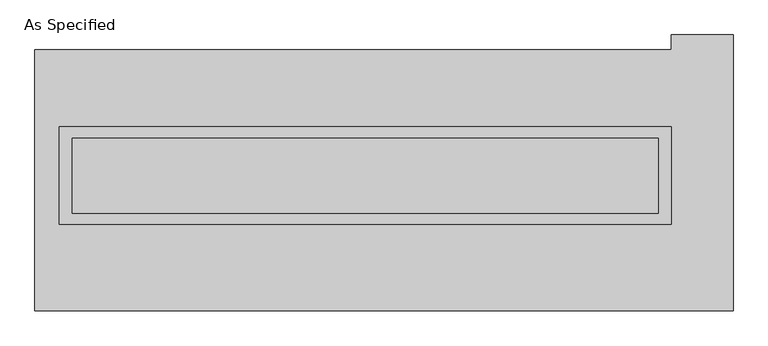
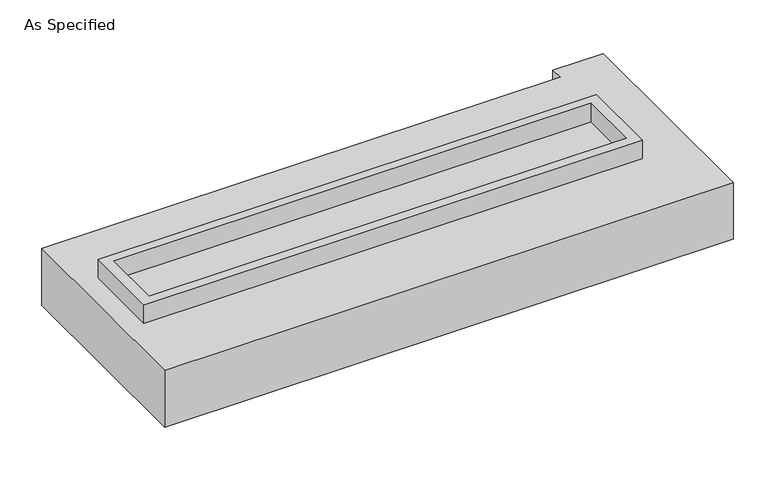
"""IFC4 building model written with IfcOpenShell, lengths in millimetres: proxy geometry, As Specified."""

import ifcopenshell
import ifcopenshell.guid

model = None  # the IFC model being written
_history = None  # IfcOwnerHistory: only IFC2X3 demands one
_inside = {}  # id of a spatial element -> (the spatial element, [elements in it])
_under = {}  # id of a project, library or spatial element -> (it, [spatial elements below it])
_declared = {}  # id of a project -> (the project, [libraries it declares])
_typed = {}  # id of a type object -> (the type object, [elements of that type])
_made_of = {}  # id of a material, layer set ... -> (it, [elements and type objects made of it])


def new_model(schema):
    """Start an empty IFC model of exactly this schema.

    Asked for "IFC4X3", IfcOpenShell would pick the latest addendum, in which some entities
    have other attributes; the version numbers below select the first issue.
    IFC2X3 requires an IfcOwnerHistory on every rooted entity: one is made here for all.
    """
    global model, _history
    if schema == "IFC4X3":
        model = ifcopenshell.file(schema_version=(4, 3, 0, 0))
    else:
        model = ifcopenshell.file(schema=schema)
    _inside.clear()
    _under.clear()
    _declared.clear()
    _typed.clear()
    _made_of.clear()
    _history = None
    if model.schema == "IFC2X3":
        org = make("IfcOrganization", Name="unknown")
        user = make(
            "IfcPersonAndOrganization",
            ThePerson=make("IfcPerson", FamilyName="unknown"),
            TheOrganization=org,
        )
        app = make(
            "IfcApplication",
            ApplicationDeveloper=org,
            Version="unknown",
            ApplicationFullName="unknown",
            ApplicationIdentifier="unknown",
        )
        _history = make(
            "IfcOwnerHistory",
            OwningUser=user,
            OwningApplication=app,
            ChangeAction="ADDED",
            CreationDate=0,
        )
    return model


def make(cls, **values):
    """One entity of the class cls with the attributes given. An attribute that is None is left unset."""
    return model.create_entity(
        cls, **{name: value for name, value in values.items() if value is not None}
    )


def rooted(cls, **values):
    """An entity with a GlobalId (a new one), such as an element, a storey or a relation."""
    return make(cls, GlobalId=ifcopenshell.guid.new(), OwnerHistory=_history, **values)


def si_unit(unit_type, name, prefix=None):
    """IfcSIUnit, for example si_unit("LENGTHUNIT", "METRE", prefix="MILLI")."""
    return make("IfcSIUnit", UnitType=unit_type, Prefix=prefix, Name=name)


def assignment(units):
    """IfcUnitAssignment: the units of a project."""
    return None if units is None else make("IfcUnitAssignment", Units=units)


def point(xyz):
    """IfcCartesianPoint."""
    return None if xyz is None else make("IfcCartesianPoint", Coordinates=xyz)


def direction(xyz):
    """IfcDirection."""
    return None if xyz is None else make("IfcDirection", DirectionRatios=xyz)


def frame(location, z_axis=None, x_axis=None):
    """IfcAxis2Placement3D, a coordinate frame: its origin and axes. An axis left out is left unset."""
    return make(
        "IfcAxis2Placement3D",
        Location=point(location),
        Axis=direction(z_axis),
        RefDirection=direction(x_axis),
    )


def origin():
    """The frame at (0, 0, 0) with its axes left unset."""
    return frame((0.0, 0.0, 0.0))


def place(relative_to, where):
    """IfcLocalPlacement: puts the frame where relative to a parent placement (None: the world)."""
    return make(
        "IfcLocalPlacement", PlacementRelTo=relative_to, RelativePlacement=where
    )


def context(
    kind, dimensions, precision=None, world=None, true_north=None, identifier=None
):
    """IfcGeometricRepresentationContext, for example the 3D "Model" context."""
    return make(
        "IfcGeometricRepresentationContext",
        ContextIdentifier=identifier,
        ContextType=kind,
        CoordinateSpaceDimension=dimensions,
        Precision=precision,
        WorldCoordinateSystem=world,
        TrueNorth=true_north,
    )


def project(units=None, contexts=None):
    """IfcProject with its units and contexts."""
    return rooted(
        "IfcProject",
        Name="project",
        RepresentationContexts=contexts,
        UnitsInContext=assignment(units),
    )


def spatial(cls, under=None, at=None, **own):
    """A site, building, storey or space (cls), placed at a placement, below another one or the project."""
    s = rooted(cls, ObjectPlacement=at, **own)
    if under is not None:
        _under.setdefault(under.id(), (under, []))[1].append(s)
    return s


def polyline(points):
    """IfcPolyline through the points."""
    return make("IfcPolyline", Points=[point(p) for p in points])


def outline(outer, holes=None, kind="AREA"):
    """IfcArbitraryClosedProfileDef: a profile drawn as a closed curve; with holes, ...WithVoids."""
    if holes is None:
        return make("IfcArbitraryClosedProfileDef", ProfileType=kind, OuterCurve=outer)
    return make(
        "IfcArbitraryProfileDefWithVoids",
        ProfileType=kind,
        OuterCurve=outer,
        InnerCurves=holes,
    )


def extrude(swept, where, along, depth):
    """IfcExtrudedAreaSolid: the profile swept, set in the frame where, extruded along a direction by depth."""
    return make(
        "IfcExtrudedAreaSolid",
        SweptArea=swept,
        Position=where,
        ExtrudedDirection=direction(along),
        Depth=depth,
    )


def shape(context_of_items, identifier, shape_type, items):
    """IfcShapeRepresentation: the items that make up one representation, for example the "Body"."""
    return make(
        "IfcShapeRepresentation",
        ContextOfItems=context_of_items,
        RepresentationIdentifier=identifier,
        RepresentationType=shape_type,
        Items=items,
    )


def source(mapping_origin, context_of_items, identifier, shape_type, items):
    """IfcRepresentationMap: a shape defined once, which mapped items show again and again."""
    return make(
        "IfcRepresentationMap",
        MappingOrigin=mapping_origin,
        MappedRepresentation=shape(context_of_items, identifier, shape_type, items),
    )


def transform(
    local_origin,
    x_axis=None,
    y_axis=None,
    z_axis=None,
    scale=None,
    scale2=None,
    scale3=None,
    uniform=True,
):
    """IfcCartesianTransformationOperator3D, or its non-uniform kind. x_axis, y_axis, z_axis: its Axis1, 2, 3."""
    if uniform:
        return make(
            "IfcCartesianTransformationOperator3D",
            Axis1=direction(x_axis),
            Axis2=direction(y_axis),
            LocalOrigin=point(local_origin),
            Scale=scale,
            Axis3=direction(z_axis),
        )
    return make(
        "IfcCartesianTransformationOperator3DnonUniform",
        Axis1=direction(x_axis),
        Axis2=direction(y_axis),
        LocalOrigin=point(local_origin),
        Scale=scale,
        Axis3=direction(z_axis),
        Scale2=scale2,
        Scale3=scale3,
    )


def mapped(mapping_source, mapping_target):
    """IfcMappedItem: shows the shape of a source again, moved by a transform."""
    return make(
        "IfcMappedItem", MappingSource=mapping_source, MappingTarget=mapping_target
    )


def made_of(thing, what):
    """Note that an element or type object is made of a material, layer set ...; save() writes the relation."""
    if what is not None:
        _made_of.setdefault(what.id(), (what, []))[1].append(thing)
    return thing


def element(
    cls,
    number,
    at=None,
    inside=None,
    cuts=None,
    type_object=None,
    material=None,
    context=None,
    identifier="Body",
    shape_type=None,
    held_by="IfcProductDefinitionShape",
    body=None,
    shapes=None,
    **own,
):
    """One element of the class cls, such as IfcWall. Its Tag is "e" and its number.

    at: its placement. inside: the storey or other place that contains it. cuts: it is an
    opening in that element (IfcRelVoidsElement). A single representation is given by context,
    identifier, shape_type and body (its items); several are given by shapes. held_by: the class
    of the entity that holds the representations. save() writes the other relations.
    """
    e = rooted(cls, Tag="e%d" % number, ObjectPlacement=at, **own)
    if body is not None:
        shapes = [shape(context, identifier, shape_type, body)]
    if shapes is not None:
        e.Representation = make(held_by, Representations=shapes)
    if inside is not None:
        _inside.setdefault(inside.id(), (inside, []))[1].append(e)
    if cuts is not None:
        rooted(
            "IfcRelVoidsElement", RelatingBuildingElement=cuts, RelatedOpeningElement=e
        )
    if type_object is not None:
        _typed.setdefault(type_object.id(), (type_object, []))[1].append(e)
    return made_of(e, material)


def aggregate(whole, parts):
    """IfcRelAggregates: a whole, such as a stair, and the parts it consists of."""
    return rooted("IfcRelAggregates", RelatingObject=whole, RelatedObjects=parts)


def save(model, path):
    """Write the relations noted so far, then the file.

    IfcRelAggregates (storeys below a building ...), IfcRelContainedInSpatialStructure (elements
    in a storey), IfcRelDefinesByType, IfcRelAssociatesMaterial and IfcRelDeclares: one each for
    every whole, place, type object, material and project.
    """
    for whole, parts in _under.values():
        aggregate(whole, parts)
    for where, things in _inside.values():
        rooted(
            "IfcRelContainedInSpatialStructure",
            RelatedElements=things,
            RelatingStructure=where,
        )
    for kind, things in _typed.values():
        rooted("IfcRelDefinesByType", RelatedObjects=things, RelatingType=kind)
    for what, things in _made_of.values():
        rooted("IfcRelAssociatesMaterial", RelatedObjects=things, RelatingMaterial=what)
    for by, libraries in _declared.values():
        rooted("IfcRelDeclares", RelatingContext=by, RelatedDefinitions=libraries)
    model.write(path)


def as_specified_2f73ffcf(model_context):
    return source(origin(), model_context, "Body", "SweptSolid", [
        extrude(outline(polyline([(2070.1, 361.95), (2070.1, -298.45), (-2070.1, -298.45), (-2070.1, 361.95), (2070.1, 361.95)]), holes=[polyline([(1981.2, 285.75), (-1981.2, 285.75), (-1981.2, -222.25), (1981.2, -222.25), (1981.2, 285.75)])]), frame((0.0, 0.0, -688.975), z_axis=(0.0, 0.0, 1.0), x_axis=(1.0, 0.0, 0.0)), (0.0, 0.0, 1.0), 165.1),
        extrude(outline(polyline([(2070.1, 361.95), (2070.1, -298.45), (-2070.1, -298.45), (-2070.1, 361.95), (2070.1, 361.95)]), holes=[polyline([(1981.2, 285.75), (-1981.2, 285.75), (-1981.2, -222.25), (1981.2, -222.25), (1981.2, 285.75)])]), frame((0.0, 0.0, -25.4), z_axis=(0.0, 0.0, 1.0), x_axis=(1.0, 0.0, 0.0)), (0.0, 0.0, 1.0), 165.1),
        extrude(outline(polyline([(1981.2, 285.75), (1981.2, -222.25), (-1981.2, -222.25), (-1981.2, 285.75), (1981.2, 285.75)])), frame((0.0, 0.0, -523.875), z_axis=(0.0, 0.0, 1.0), x_axis=(1.0, 0.0, 0.0)), (0.0, 0.0, 1.0), 4.9609375),
        extrude(outline(polyline([(1981.2, 285.75), (1981.2, -222.25), (-1981.2, -222.25), (-1981.2, 285.75), (1981.2, 285.75)])), frame((0.0, 0.0, -30.3609375), z_axis=(0.0, 0.0, 1.0), x_axis=(1.0, 0.0, 0.0)), (0.0, 0.0, 1.0), 4.9609375),
        extrude(outline(polyline([(2489.2, -882.65), (-2235.2, -882.65), (-2235.2, 882.65), (2070.1, 882.65), (2070.1, 984.25), (2489.2, 984.25), (2489.2, -882.65)]), holes=[polyline([(-2070.1, 361.95), (-2070.1, -298.45), (2070.1, -298.45), (2070.1, 361.95), (-2070.1, 361.95)])]), frame((0.0, 0.0, -523.875), z_axis=(0.0, 0.0, 1.0), x_axis=(1.0, 0.0, 0.0)), (0.0, 0.0, 1.0), 498.475),
    ])


if __name__ == "__main__":
    model = new_model("IFC4")
    model_context = context("Model", 3, world=origin())
    ifc_project = project(units=[si_unit("LENGTHUNIT", "METRE", prefix="MILLI")], contexts=[model_context])
    site = spatial("IfcSite", under=ifc_project)
    building = spatial("IfcBuilding", under=site)
    placement = place(None, origin())
    as_specified_shape = as_specified_2f73ffcf(model_context)
    element("IfcBuildingElementProxy", 1, Name="As Specified", ObjectType="As Specified", at=placement, inside=building, context=model_context, shape_type="MappedRepresentation", body=[
        mapped(as_specified_shape, transform((0.0, 0.0, 0.0), x_axis=(1.0, 0.0, 0.0), y_axis=(0.0, 1.0, 0.0), z_axis=(0.0, 0.0, 1.0))),
    ])
    save(model, "model.ifc")
